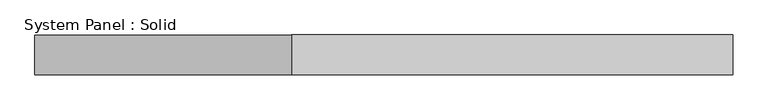
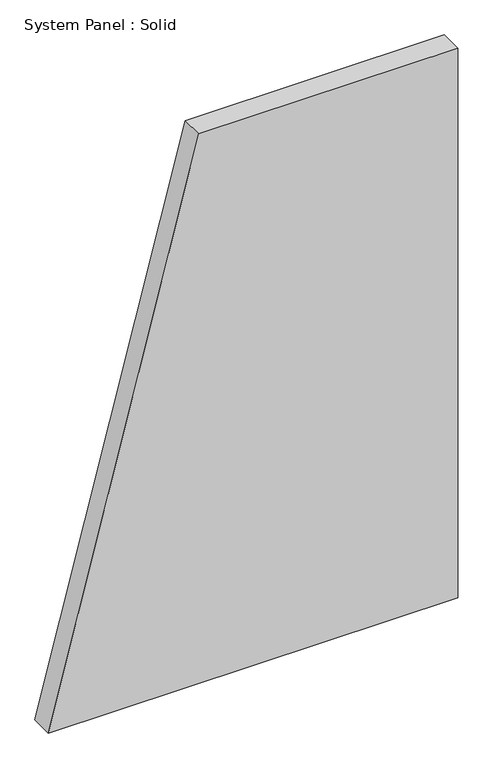
"""IFC4 building model written with IfcOpenShell, lengths in millimetres: plate geometry, System Panel : Solid."""

from ifc_helpers import new_model, si_unit, frame, origin, place, context, project, spatial, polyline, outline, extrude, source, transform, mapped, element, save


def system_panel_solid_cd7a6e87(model_context):
    return source(origin(), model_context, "Body", "SweptSolid", [
        extrude(outline(polyline([(0.0, -528.5836628), (0.0, 528.5836628), (1500.0, 528.5836628), (1500.0, -140.0171278), (0.0, -528.5836628)])), frame((0.0, -10.5, 0.0), z_axis=(0.0, 1.0, 0.0), x_axis=(0.0, 0.0, 1.0)), (0.0, 0.0, 1.0), 60.0),
    ])


if __name__ == "__main__":
    model = new_model("IFC4")
    model_context = context("Model", 3, world=origin())
    ifc_project = project(units=[si_unit("LENGTHUNIT", "METRE", prefix="MILLI")], contexts=[model_context])
    site = spatial("IfcSite", under=ifc_project)
    building = spatial("IfcBuilding", under=site)
    placement = place(None, origin())
    system_panel_solid_shape = system_panel_solid_cd7a6e87(model_context)
    element("IfcPlate", 1, ObjectType="System Panel : Solid", at=placement, inside=building, context=model_context, shape_type="MappedRepresentation", body=[
        mapped(system_panel_solid_shape, transform((0.0, 0.0, 0.0), x_axis=(1.0, 0.0, 0.0), y_axis=(0.0, 1.0, 0.0), z_axis=(0.0, 0.0, 1.0))),
    ])
    save(model, "model.ifc")
